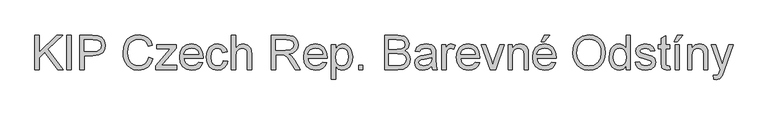
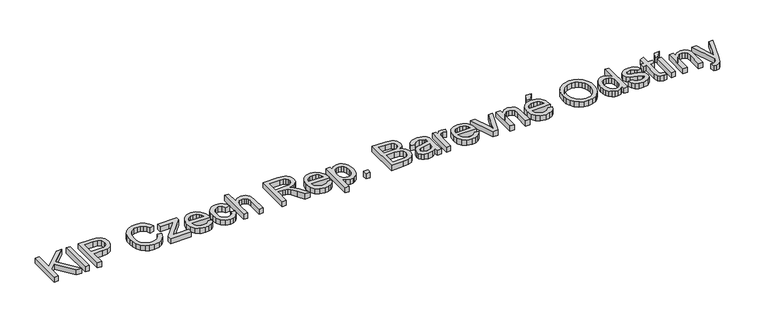
"""IFC4 building model written with IfcOpenShell, lengths in millimetres: proxy geometry."""

from ifc_helpers import new_model, si_unit, origin, origin_with_axes, place, context, project, spatial, polyline, outline, extrude, source, transform, mapped, element, save


def generic_models_8051c2fc(model_context):
    return source(origin(), model_context, "Body", "SweptSolid", [
        extrude(outline(polyline([(-1531.5663223, 2578.480545), (-1531.5663223, 2729.1650102), (-1512.7307642, 2729.1650102), (-1512.7307642, 2655.4046702), (-1435.4755452, 2729.1650102), (-1409.1351943, 2729.1650102), (-1474.0295783, 2667.2136822), (-1406.7807496, 2578.480545), (-1429.8101625, 2578.480545), (-1487.3836947, 2654.4849652), (-1512.7307642, 2630.2783299), (-1512.7307642, 2578.480545), (-1531.5663223, 2578.480545)])), origin_with_axes(), (0.0, 0.0, 1.0), 25.0),
        extrude(outline(polyline([(-1390.2996362, 2578.480545), (-1390.2996362, 2729.1650102), (-1371.464078, 2729.1650102), (-1371.464078, 2578.480545), (-1390.2996362, 2578.480545)])), origin_with_axes(), (0.0, 0.0, 1.0), 25.0),
        extrude(outline(polyline([(-1333.7929617, 2578.480545), (-1333.7929617, 2729.1650102), (-1277.9484748, 2729.1650102), (-1255.4340967, 2727.7302704), (-1237.1319675, 2720.6853302), (-1225.2677731, 2706.1172032), (-1220.7796128, 2685.5709938), (-1223.8100407, 2667.8114905), (-1232.9013245, 2653.0134372), (-1249.9020712, 2643.0254411), (-1276.6608879, 2639.696109), (-1314.9574036, 2639.696109), (-1314.9574036, 2578.480545), (-1333.7929617, 2578.480545)]), holes=[polyline([(-1314.9574036, 2658.5316672), (-1275.5572419, 2658.5316672), (-1258.8553993, 2660.2607125), (-1247.8189394, 2665.4478487), (-1241.6661131, 2673.7711788), (-1239.6151709, 2684.9088062), (-1244.4528192, 2700.5070028), (-1257.1631421, 2709.0418651), (-1275.9987003, 2710.3294521), (-1314.9574036, 2710.3294521), (-1314.9574036, 2658.5316672)])]), origin_with_axes(), (0.0, 0.0, 1.0), 25.0),
        extrude(outline(polyline([(-1030.0695865, 2632.0441635), (-1011.2340283, 2627.1881212), (-1019.9252405, 2605.2393616), (-1033.5644654, 2589.2043052), (-1051.4803186, 2579.3956515), (-1073.0014153, 2576.1261002), (-1094.8490073, 2578.6001067), (-1112.1992419, 2586.0221259), (-1125.498176, 2598.1346406), (-1135.1918666, 2614.6801333), (-1141.1101682, 2634.1318938), (-1143.0829354, 2654.9632118), (-1140.8526508, 2676.934964), (-1134.161797, 2695.9084779), (-1123.3598619, 2711.2813467), (-1108.7963335, 2722.4511638), (-1091.5242738, 2729.2523822), (-1072.5967451, 2731.519455), (-1051.9447696, 2728.5855961), (-1034.8704465, 2719.7840194), (-1021.9072047, 2705.6573507), (-1013.5884731, 2686.7482162), (-1032.4240313, 2682.2600558), (-1038.9539367, 2695.9958498), (-1047.8750751, 2705.4182274), (-1059.297811, 2710.8674795), (-1073.3325091, 2712.6838968), (-1089.5101199, 2710.6697429), (-1102.7998569, 2704.6272811), (-1112.8844221, 2695.191108), (-1119.4465172, 2682.9958198), (-1124.2473773, 2655.0), (-1122.8264331, 2637.5991816), (-1118.5636004, 2622.552808), (-1111.297931, 2610.4356948), (-1100.8684765, 2601.8226576), (-1088.3650872, 2596.6769082), (-1074.8776135, 2594.9616584), (-1059.1552567, 2597.2977091), (-1046.0540592, 2604.3058611), (-1036.162632, 2615.912538), (-1030.0695865, 2632.0441635)])), origin_with_axes(), (0.0, 0.0, 1.0), 25.0),
        extrude(outline(polyline([(-999.4618045, 2578.480545), (-999.4618045, 2596.2124572), (-934.4570559, 2670.303891), (-953.6972843, 2670.303891), (-994.752915, 2670.303891), (-994.752915, 2689.1394492), (-907.6384585, 2689.1394492), (-907.6384585, 2673.1365824), (-965.2855671, 2607.3960698), (-974.114735, 2597.3161032), (-952.3361209, 2597.3161032), (-905.2840137, 2597.3161032), (-905.2840137, 2578.480545), (-999.4618045, 2578.480545)])), origin_with_axes(), (0.0, 0.0, 1.0), 25.0),
        extrude(outline(polyline([(-808.9725074, 2611.4427718), (-790.5048312, 2609.088327), (-797.1588968, 2595.1731905), (-807.7768909, 2584.7713271), (-822.1196902, 2578.287407), (-839.9481714, 2576.1261002), (-862.0486822, 2579.855504), (-879.0540275, 2591.0437151), (-889.8973493, 2608.9641668), (-893.5117899, 2632.8902921), (-889.8605611, 2657.6211592), (-878.9068747, 2676.1164265), (-862.1314557, 2687.6495271), (-841.0150292, 2691.4938939), (-820.5561917, 2687.6587241), (-804.2084356, 2676.1532147), (-793.4892739, 2657.6947356), (-789.91622, 2633.0006567), (-790.0265846, 2627.9238852), (-874.6762317, 2627.9238852), (-871.4158776, 2613.8248077), (-863.842107, 2603.4597325), (-852.9114132, 2597.0861769), (-839.5802894, 2594.9616584), (-821.1126132, 2598.8979957), (-808.9725074, 2611.4427718)]), holes=[polyline([(-874.6762317, 2646.7594433), (-808.7517782, 2646.7594433), (-811.299361, 2656.7106513), (-816.2933591, 2663.8291679), (-827.2746367, 2670.4510438), (-841.0886056, 2672.6583358), (-853.7851329, 2670.8971007), (-864.2835654, 2665.6133956), (-871.5814244, 2657.3774374), (-874.6762317, 2646.7594433)])]), origin_with_axes(), (0.0, 0.0, 1.0), 25.0),
        extrude(outline(polyline([(-700.4473188, 2618.5061061), (-681.6117607, 2616.1516613), (-686.8632761, 2599.399235), (-696.7317107, 2586.7394958), (-710.2881622, 2578.7794491), (-726.6037287, 2576.1261002), (-746.6395018, 2579.8279128), (-762.3066763, 2590.9333505), (-772.4188326, 2608.9549698), (-775.7895514, 2633.4053269), (-774.3502131, 2650.1669503), (-770.0321982, 2664.6936906), (-762.7665288, 2676.4245277), (-752.484227, 2684.7984416), (-740.1831728, 2689.8200308), (-726.8612461, 2691.4938939), (-710.9457513, 2689.1946315), (-698.2216327, 2682.296844), (-689.0935607, 2671.1684137), (-683.9662054, 2656.1772224), (-702.8017636, 2653.8227776), (-711.538961, 2667.9310521), (-726.7140933, 2672.6583358), (-738.8863888, 2670.3314821), (-748.5478897, 2663.3509213), (-754.8524674, 2651.3395741), (-756.9539933, 2633.9203617), (-754.8984526, 2616.2666244), (-748.7318307, 2604.2138906), (-739.2450737, 2597.2747164), (-727.2291281, 2594.9616584), (-717.4756567, 2596.4055952), (-709.4788218, 2600.7374057), (-703.6616877, 2608.0674545), (-700.4473188, 2618.5061061)])), origin_with_axes(), (0.0, 0.0, 1.0), 25.0),
        extrude(outline(polyline([(-665.1306473, 2578.480545), (-665.1306473, 2729.1650102), (-646.2950891, 2729.1650102), (-646.2950891, 2673.7619818), (-631.6074005, 2687.0609159), (-613.5168034, 2691.4938939), (-592.3635886, 2686.6562457), (-579.524507, 2673.2837352), (-575.6617461, 2648.5252769), (-575.6617461, 2578.480545), (-594.4973042, 2578.480545), (-594.4973042, 2646.5755023), (-595.9964233, 2658.3661203), (-600.4937807, 2666.4411301), (-607.741056, 2671.1040343), (-617.4899289, 2672.6583358), (-632.9225786, 2668.464481), (-643.2232745, 2657.0969274), (-646.2950891, 2637.2680878), (-646.2950891, 2578.480545), (-665.1306473, 2578.480545)])), origin_with_axes(), (0.0, 0.0, 1.0), 25.0),
        extrude(outline(polyline([(-488.5472896, 2578.480545), (-488.5472896, 2729.1650102), (-423.6161174, 2729.1650102), (-393.4681879, 2725.0999142), (-384.1883646, 2719.4713197), (-376.9870746, 2710.7157282), (-372.365557, 2699.8586108), (-370.8250511, 2687.9254386), (-373.3772325, 2673.0814001), (-381.0337765, 2660.7757473), (-394.0246095, 2651.7534414), (-412.5796576, 2646.7594433), (-401.8742915, 2638.7028276), (-386.6071887, 2619.3154465), (-361.4808485, 2578.480545), (-383.3698272, 2578.480545), (-402.9779375, 2609.7137264), (-417.1413943, 2630.3886945), (-427.0926023, 2640.1559615), (-436.0505289, 2643.7428109), (-446.9766241, 2644.4049985), (-469.7117314, 2644.4049985), (-469.7117314, 2578.480545), (-488.5472896, 2578.480545)]), holes=[polyline([(-469.7117314, 2663.2405567), (-427.5524548, 2663.2405567), (-406.0497522, 2665.9077012), (-393.8360699, 2674.4425634), (-389.6606093, 2687.2264628), (-391.6517706, 2696.4143156), (-397.6252545, 2703.8179408), (-407.9029577, 2708.7015742), (-422.8067771, 2710.3294521), (-469.7117314, 2710.3294521), (-469.7117314, 2663.2405567)])]), origin_with_axes(), (0.0, 0.0, 1.0), 25.0),
        extrude(outline(polyline([(-262.741321, 2611.4427718), (-244.2736448, 2609.088327), (-250.9277104, 2595.1731905), (-261.5457045, 2584.7713271), (-275.8885038, 2578.287407), (-293.7169849, 2576.1261002), (-315.8174958, 2579.855504), (-332.822841, 2591.0437151), (-343.6661628, 2608.9641668), (-347.2806034, 2632.8902921), (-343.6293746, 2657.6211592), (-332.6756882, 2676.1164265), (-315.9002693, 2687.6495271), (-294.7838427, 2691.4938939), (-274.3250053, 2687.6587241), (-257.9772491, 2676.1532147), (-247.2580875, 2657.6947356), (-243.6850336, 2633.0006567), (-243.7953982, 2627.9238852), (-328.4450453, 2627.9238852), (-325.1846911, 2613.8248077), (-317.6109205, 2603.4597325), (-306.6802268, 2597.0861769), (-293.349103, 2594.9616584), (-274.8814268, 2598.8979957), (-262.741321, 2611.4427718)]), holes=[polyline([(-328.4450453, 2646.7594433), (-262.5205918, 2646.7594433), (-265.0681746, 2656.7106513), (-270.0621727, 2663.8291679), (-281.0434502, 2670.4510438), (-294.8574191, 2672.6583358), (-307.5539465, 2670.8971007), (-318.0523789, 2665.6133956), (-325.350238, 2657.3774374), (-328.4450453, 2646.7594433)])]), origin_with_axes(), (0.0, 0.0, 1.0), 25.0),
        extrude(outline(polyline([(-224.8494755, 2536.1005392), (-224.8494755, 2689.1394492), (-206.0139173, 2689.1394492), (-206.0139173, 2670.671773), (-192.9908947, 2686.2883637), (-175.4061353, 2691.4938939), (-162.6682212, 2689.672878), (-151.5305938, 2684.2098304), (-142.4623026, 2675.4358448), (-135.9323972, 2663.6820151), (-130.6716847, 2634.6561257), (-132.1570082, 2618.5474928), (-136.6129789, 2604.1403142), (-143.8970424, 2592.1657552), (-153.8666445, 2583.3549814), (-165.47792, 2577.9333205), (-177.6870037, 2576.1261002), (-194.0761466, 2580.9637485), (-206.0139173, 2593.1958248), (-206.0139173, 2536.1005392), (-224.8494755, 2536.1005392)]), holes=[polyline([(-206.0139173, 2632.9270803), (-203.9767708, 2616.0412967), (-197.8653311, 2604.2322847), (-188.8476237, 2597.279315), (-178.0916739, 2594.9616584), (-167.1609801, 2597.3620884), (-157.9133464, 2604.5633785), (-151.6087687, 2616.8046519), (-149.5072428, 2634.3250319), (-151.558185, 2651.118845), (-157.7110113, 2663.0934039), (-166.7149232, 2670.2671028), (-177.3191217, 2672.6583358), (-187.9647069, 2670.1153515), (-197.3135081, 2662.4863986), (-203.838815, 2650.0106004), (-206.0139173, 2632.9270803)])]), origin_with_axes(), (0.0, 0.0, 1.0), 25.0),
        extrude(outline(polyline([(-104.7727922, 2578.480545), (-104.7727922, 2597.3161032), (-85.9372341, 2597.3161032), (-85.9372341, 2578.480545), (-104.7727922, 2578.480545)])), origin_with_axes(), (0.0, 0.0, 1.0), 25.0),
        extrude(outline(polyline([(10.5950015, 2578.480545), (10.5950015, 2729.1650102), (68.0949573, 2729.1650102), (96.256324, 2724.7320322), (105.7200884, 2719.1080362), (112.8845902, 2711.1020043), (118.8994608, 2691.8249877), (113.8410834, 2674.2218342), (98.5555865, 2660.8861119), (109.2287629, 2655.3126997), (117.1152332, 2646.8330197), (121.9850711, 2636.008092), (123.6083504, 2623.3989366), (119.1753723, 2603.1470328), (108.1940948, 2588.7260586), (91.8049519, 2581.0741131), (67.6534989, 2578.480545), (10.5950015, 2578.480545)]), holes=[polyline([(29.4305596, 2597.3161032), (68.0581691, 2597.3161032), (82.0376849, 2598.0518671), (93.8650911, 2602.1537514), (101.7009776, 2610.5230668), (104.7727922, 2623.2149956), (101.1675487, 2637.856699), (89.4872953, 2646.5938964), (66.2187591, 2649.1138881), (29.4305596, 2649.1138881), (29.4305596, 2597.3161032)]), polyline([(29.4305596, 2667.9494462), (63.8275262, 2667.9494462), (83.9138831, 2669.568127), (95.9988066, 2676.5394908), (100.0639027, 2688.8083554), (96.2747181, 2701.095614), (85.4221993, 2708.3612834), (61.215564, 2710.3294521), (29.4305596, 2710.3294521), (29.4305596, 2667.9494462)])]), origin_with_axes(), (0.0, 0.0, 1.0), 25.0),
        extrude(outline(polyline([(217.7861411, 2592.6072136), (199.5208001, 2579.8417084), (179.3424726, 2576.1261002), (163.6017218, 2578.3609834), (151.9904463, 2585.0656327), (144.830543, 2595.2467669), (142.4439085, 2607.9111046), (146.0491521, 2622.8103254), (155.5221135, 2633.6260561), (168.710683, 2639.8064736), (185.0078554, 2642.639165), (217.6757765, 2649.1138881), (217.7861411, 2653.3077428), (216.4893571, 2661.7138464), (212.599005, 2667.2136822), (203.8985958, 2671.2971724), (191.7768841, 2672.6583358), (172.7205967, 2669.0346981), (163.6339115, 2656.1772224), (144.7983533, 2658.5316672), (152.9469395, 2676.9257669), (169.3544765, 2687.7047094), (194.2049053, 2691.4938939), (217.0319831, 2688.1461678), (229.926247, 2679.7400642), (235.7019943, 2666.9561648), (236.6216993, 2650.4750515), (236.6216993, 2627.0409684), (237.5781925, 2594.3178649), (241.3305888, 2578.480545), (222.4950307, 2578.480545), (217.7861411, 2592.6072136)]), holes=[polyline([(217.7861411, 2630.2783299), (187.3990883, 2624.5025826), (171.1938865, 2621.449162), (163.8546407, 2616.4827551), (161.2794667, 2609.2354798), (166.8896671, 2599.0451485), (183.3523864, 2594.9616584), (202.4086737, 2599.4682128), (214.6959324, 2610.375914), (217.6757765, 2624.944041), (217.7861411, 2630.2783299)])]), origin_with_axes(), (0.0, 0.0, 1.0), 25.0),
        extrude(outline(polyline([(262.5205918, 2578.480545), (262.5205918, 2689.1394492), (279.0017051, 2689.1394492), (279.0017051, 2672.7687004), (290.7003526, 2687.8518622), (302.4725764, 2691.4938939), (321.381711, 2685.6813584), (315.0909289, 2668.7955748), (301.847177, 2672.6583358), (291.1969933, 2668.9427276), (284.4095705, 2658.6420318), (281.3561499, 2636.6426884), (281.3561499, 2578.480545), (262.5205918, 2578.480545)])), origin_with_axes(), (0.0, 0.0, 1.0), 25.0),
        extrude(outline(polyline([(410.629883, 2611.4427718), (429.0975592, 2609.088327), (422.4434936, 2595.1731905), (411.8254995, 2584.7713271), (397.4827002, 2578.287407), (379.654219, 2576.1261002), (357.5537082, 2579.855504), (340.5483629, 2591.0437151), (329.7050411, 2608.9641668), (326.0906005, 2632.8902921), (329.7418293, 2657.6211592), (340.6955157, 2676.1164265), (357.4709347, 2687.6495271), (378.5873612, 2691.4938939), (399.0461987, 2687.6587241), (415.3939549, 2676.1532147), (426.1131165, 2657.6947356), (429.6861704, 2633.0006567), (429.5758058, 2627.9238852), (344.9261587, 2627.9238852), (348.1865129, 2613.8248077), (355.7602834, 2603.4597325), (366.6909772, 2597.0861769), (380.022101, 2594.9616584), (398.4897772, 2598.8979957), (410.629883, 2611.4427718)]), holes=[polyline([(344.9261587, 2646.7594433), (410.8506122, 2646.7594433), (408.3030294, 2656.7106513), (403.3090313, 2663.8291679), (392.3277538, 2670.4510438), (378.5137848, 2672.6583358), (365.8172575, 2670.8971007), (355.318825, 2665.6133956), (348.020966, 2657.3774374), (344.9261587, 2646.7594433)])]), origin_with_axes(), (0.0, 0.0, 1.0), 25.0),
        extrude(outline(polyline([(475.7449962, 2578.480545), (436.7495047, 2689.1394492), (456.6519206, 2689.1394492), (480.2699447, 2622.8471136), (487.3700672, 2600.5534647), (494.3230369, 2621.5963148), (518.0514256, 2689.1394492), (537.9906297, 2689.1394492), (499.5469613, 2578.480545), (475.7449962, 2578.480545)])), origin_with_axes(), (0.0, 0.0, 1.0), 25.0),
        extrude(outline(polyline([(554.4717431, 2578.480545), (554.4717431, 2689.1394492), (573.3073013, 2689.1394492), (573.3073013, 2673.6884054), (587.7098814, 2687.0425218), (607.373174, 2691.4938939), (625.1602685, 2687.9070445), (637.3003743, 2678.4892654), (642.947363, 2664.6385083), (643.9406444, 2646.4283495), (643.9406444, 2578.480545), (625.1050862, 2578.480545), (625.1050862, 2643.8899637), (622.9345824, 2660.5550181), (615.2642428, 2669.3657919), (602.3331907, 2672.6583358), (591.3013294, 2670.8097287), (581.8973459, 2665.2639077), (575.4548124, 2654.5493446), (573.3073013, 2637.1945114), (573.3073013, 2578.480545), (554.4717431, 2578.480545)])), origin_with_axes(), (0.0, 0.0, 1.0), 25.0),
        extrude(outline(polyline([(747.315485, 2611.4427718), (765.7831612, 2609.088327), (759.1290956, 2595.1731905), (748.5111015, 2584.7713271), (734.1683022, 2578.287407), (716.339821, 2576.1261002), (694.2393101, 2579.855504), (677.2339649, 2591.0437151), (666.3906431, 2608.9641668), (662.7762025, 2632.8902921), (666.4274313, 2657.6211592), (677.3811177, 2676.1164265), (694.1565367, 2687.6495271), (715.2729632, 2691.4938939), (735.7318007, 2687.6587241), (752.0795568, 2676.1532147), (762.7987185, 2657.6947356), (766.3717724, 2633.0006567), (766.2614078, 2627.9238852), (681.6117607, 2627.9238852), (684.8721148, 2613.8248077), (692.4458854, 2603.4597325), (703.3765792, 2597.0861769), (716.707703, 2594.9616584), (735.1753792, 2598.8979957), (747.315485, 2611.4427718)]), holes=[polyline([(681.6117607, 2646.7594433), (747.5362142, 2646.7594433), (744.9886314, 2656.7106513), (739.9946333, 2663.8291679), (729.0133557, 2670.4510438), (715.1993868, 2672.6583358), (702.5028595, 2670.8971007), (692.004427, 2665.6133956), (684.7065679, 2657.3774374), (681.6117607, 2646.7594433)])]), origin_with_axes(), (0.0, 0.0, 1.0), 25.0),
        extrude(outline(polyline([(700.4473188, 2700.911673), (714.5739874, 2729.1650102), (738.1184351, 2729.1650102), (714.5739874, 2700.911673), (700.4473188, 2700.911673)])), origin_with_axes(), (0.0, 0.0, 1.0), 25.0),
        extrude(outline(polyline([(839.3595602, 2651.8362148), (844.3811494, 2685.1571266), (850.658136, 2698.7756582), (859.4459171, 2710.3662403), (882.4477389, 2726.2311513), (911.2804903, 2731.519455), (931.0449504, 2729.0362515), (948.7676656, 2721.5866411), (963.4829454, 2709.6948556), (974.2250996, 2693.8851269), (980.7917932, 2674.92081), (982.9806911, 2653.5652602), (980.6768301, 2631.9246019), (973.7652471, 2612.6935706), (962.6276197, 2596.8562507), (947.6456255, 2585.3967265), (930.0746617, 2578.4437568), (911.1701257, 2576.1261002), (891.1021628, 2578.6874786), (873.2782802, 2586.3716138), (858.5997885, 2598.4841285), (847.9679989, 2614.3306454), (841.5116699, 2632.5637968), (839.3595602, 2651.8362148)]), holes=[polyline([(858.1951183, 2651.6522738), (861.9613103, 2628.080235), (873.2598861, 2610.1183966), (890.2422387, 2598.7508429), (911.0597611, 2594.9616584), (932.1807861, 2598.7876311), (949.1907299, 2610.2655494), (960.4065322, 2628.7792108), (964.145133, 2653.712413), (962.5448463, 2670.3866644), (957.7439862, 2684.7984416), (949.866713, 2696.584461), (939.0371868, 2705.3814392), (925.9727774, 2710.8582824), (911.3908549, 2712.6838968), (891.129754, 2709.1660253), (873.9036795, 2698.6124105), (862.1222586, 2679.8366332), (858.1951183, 2651.6522738)])]), origin_with_axes(), (0.0, 0.0, 1.0), 25.0),
        extrude(outline(polyline([(1074.8040371, 2578.480545), (1074.8040371, 2596.2492454), (1062.3420345, 2581.1568865), (1045.1159601, 2576.1261002), (1032.9390661, 2577.9471161), (1021.7922416, 2583.4101637), (1012.3560684, 2592.1335655), (1005.3111282, 2603.735644), (1000.9241354, 2617.7473495), (999.4618045, 2633.6996325), (1004.8512757, 2663.6820151), (1011.5835162, 2675.5738006), (1021.0012953, 2684.320195), (1032.3918416, 2689.7004692), (1045.0423837, 2691.4938939), (1062.4064139, 2686.3619401), (1074.8040371, 2673.0262178), (1074.8040371, 2729.1650102), (1093.6395953, 2729.1650102), (1093.6395953, 2578.480545), (1074.8040371, 2578.480545)]), holes=[polyline([(1018.2973626, 2633.7732089), (1020.4218812, 2616.735674), (1026.7954367, 2604.6185608), (1036.056866, 2597.375884), (1046.8450055, 2594.9616584), (1057.6285465, 2597.2655194), (1066.6554509, 2604.1771024), (1072.7668906, 2615.825166), (1074.8040371, 2632.3384691), (1072.7301024, 2650.392278), (1066.5082981, 2662.9094629), (1057.2514674, 2670.2211176), (1046.0724533, 2672.6583358), (1035.1739492, 2670.3176866), (1026.2436137, 2663.295739), (1020.2839254, 2651.2338081), (1018.2973626, 2633.7732089)])]), origin_with_axes(), (0.0, 0.0, 1.0), 25.0),
        extrude(outline(polyline([(1114.8295982, 2611.4427718), (1133.6651563, 2613.7972165), (1136.6358034, 2605.7406008), (1142.3839596, 2599.8177007), (1162.359952, 2594.9616584), (1181.5633921, 2599.4130305), (1187.817386, 2609.8608792), (1186.2446905, 2614.6617392), (1181.5266039, 2618.3221651), (1162.1392228, 2623.6932422), (1133.7755209, 2632.9086862), (1121.3962918, 2643.6692345), (1117.184043, 2658.8627609), (1120.5685573, 2672.8974591), (1129.8023954, 2683.6212192), (1141.7769543, 2689.1946315), (1157.9821562, 2691.4938939), (1180.9012045, 2687.7966799), (1195.4693315, 2677.7902896), (1201.9440546, 2660.8861119), (1183.1084965, 2658.5316672), (1176.0267681, 2668.9243335), (1159.4536842, 2672.6583358), (1141.4274664, 2669.0898804), (1136.0196011, 2660.7757473), (1138.2636813, 2655.2943056), (1145.2902274, 2651.1372391), (1161.5138234, 2647.1273253), (1189.1601553, 2638.2613692), (1201.9992369, 2628.2181908), (1206.6529442, 2611.847442), (1201.1898966, 2593.8212242), (1185.4261531, 2580.7430193), (1162.1024346, 2576.1261002), (1143.1105266, 2578.3517863), (1129.2505724, 2585.0288445), (1119.9983402, 2596.0836985), (1114.8295982, 2611.4427718)])), origin_with_axes(), (0.0, 0.0, 1.0), 25.0),
        extrude(outline(polyline([(1267.8685082, 2594.1891062), (1270.2229529, 2577.928722), (1256.1330725, 2576.1261002), (1240.3509349, 2579.2530972), (1232.4782602, 2587.4568657), (1230.1973919, 2608.8308096), (1230.1973919, 2670.303891), (1216.0707233, 2670.303891), (1216.0707233, 2689.1394492), (1230.1973919, 2689.1394492), (1230.1973919, 2716.031623), (1249.03295, 2727.1048711), (1249.03295, 2689.1394492), (1267.8685082, 2689.1394492), (1267.8685082, 2670.303891), (1249.03295, 2670.303891), (1249.03295, 2609.3826326), (1250.0262314, 2599.6705479), (1253.2451989, 2596.2308513), (1259.6647397, 2594.9616584), (1267.8685082, 2594.1891062)])), origin_with_axes(), (0.0, 0.0, 1.0), 25.0),
        extrude(outline(polyline([(1291.4129559, 2578.480545), (1291.4129559, 2689.1394492), (1310.248514, 2689.1394492), (1310.248514, 2578.480545), (1291.4129559, 2578.480545)])), origin_with_axes(), (0.0, 0.0, 1.0), 25.0),
        extrude(outline(polyline([(1286.7040663, 2700.911673), (1300.8307349, 2729.1650102), (1324.3751826, 2729.1650102), (1300.8307349, 2700.911673), (1286.7040663, 2700.911673)])), origin_with_axes(), (0.0, 0.0, 1.0), 25.0),
        extrude(outline(polyline([(1345.5651856, 2578.480545), (1345.5651856, 2689.1394492), (1364.4007437, 2689.1394492), (1364.4007437, 2673.6884054), (1378.8033238, 2687.0425218), (1398.4666165, 2691.4938939), (1416.2537109, 2687.9070445), (1428.3938168, 2678.4892654), (1434.0408054, 2664.6385083), (1435.0340868, 2646.4283495), (1435.0340868, 2578.480545), (1416.1985286, 2578.480545), (1416.1985286, 2643.8899637), (1414.0280249, 2660.5550181), (1406.3576853, 2669.3657919), (1393.4266331, 2672.6583358), (1382.3947718, 2670.8097287), (1372.9907883, 2665.2639077), (1366.5482549, 2654.5493446), (1364.4007437, 2637.1945114), (1364.4007437, 2578.480545), (1345.5651856, 2578.480545)])), origin_with_axes(), (0.0, 0.0, 1.0), 25.0),
        extrude(outline(polyline([(1460.9329792, 2536.1005392), (1458.5785345, 2554.2371215), (1468.1434664, 2552.5816525), (1477.0829988, 2554.6601858), (1482.5644406, 2560.4543272), (1487.7147885, 2574.3234785), (1489.1863165, 2578.8852152), (1449.1607554, 2689.1394492), (1468.9895949, 2689.1394492), (1490.2531743, 2627.6663678), (1497.6476024, 2603.0918505), (1505.0420305, 2624.8336764), (1526.8574328, 2689.1394492), (1546.5391195, 2689.1394492), (1508.0218746, 2575.8317946), (1498.0154844, 2551.2572774), (1487.0893891, 2537.9767373), (1472.4476857, 2533.7460944), (1460.9329792, 2536.1005392)])), origin_with_axes(), (0.0, 0.0, 1.0), 25.0),
    ])


if __name__ == "__main__":
    model = new_model("IFC4")
    model_context = context("Model", 3, world=origin())
    ifc_project = project(units=[si_unit("LENGTHUNIT", "METRE", prefix="MILLI")], contexts=[model_context])
    site = spatial("IfcSite", under=ifc_project)
    building = spatial("IfcBuilding", under=site)
    placement = place(None, origin())
    generic_models_shape = generic_models_8051c2fc(model_context)
    element("IfcBuildingElementProxy", 1, Name="Generic Models", at=placement, inside=building, context=model_context, shape_type="MappedRepresentation", body=[
        mapped(generic_models_shape, transform((0.0, 0.0, 0.0), x_axis=(1.0, 0.0, 0.0), y_axis=(0.0, 1.0, 0.0), z_axis=(0.0, 0.0, 1.0))),
    ])
    save(model, "model.ifc")
